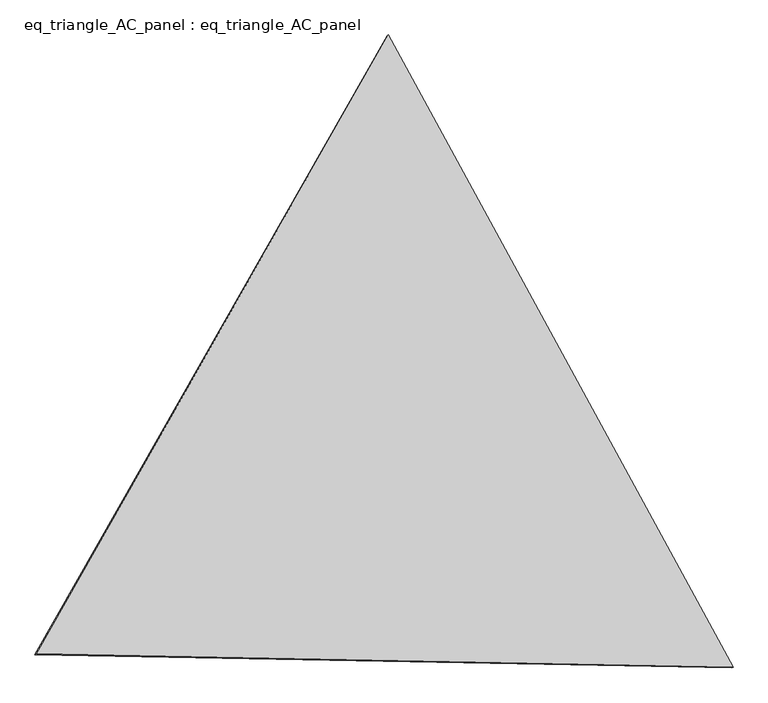
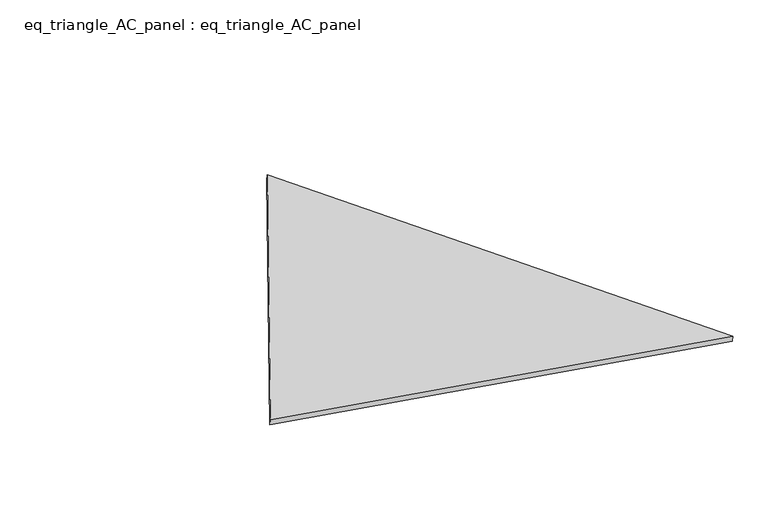
"""IFC4 building model written with IfcOpenShell, lengths in millimetres: proxy geometry, eq_triangle_AC_panel : eq_triangle_AC_panel."""

from ifc_helpers import new_model, si_unit, frame, origin, place, context, project, spatial, polyline, outline, extrude, source, transform, mapped, element, save


def eq_triangle_ac_panel_eq_triangle_ac_panel_37acd27a(model_context):
    return source(origin(), model_context, "Body", "SweptSolid", [
        extrude(outline(polyline([(-2091.2842303, 1173.1700195), (2032.8306628, 1173.1700194), (58.4535674, -2346.3400392), (-2091.2842303, 1173.1700195)])), frame((-6.3631761, 524.2531996, 46.6143561), z_axis=(0.14526328518058162, 0.08386570281802189, 0.9858321976225896), x_axis=(0.47858499780010505, -0.8780313029549414, 0.004175034361710591)), (0.0, 0.0, 1.0), 43.8306294),
    ])


if __name__ == "__main__":
    model = new_model("IFC4")
    model_context = context("Model", 3, world=origin())
    ifc_project = project(units=[si_unit("LENGTHUNIT", "METRE", prefix="MILLI")], contexts=[model_context])
    site = spatial("IfcSite", under=ifc_project)
    building = spatial("IfcBuilding", under=site)
    placement = place(None, origin())
    eq_triangle_ac_panel_eq_triangle_ac_panel_shape = eq_triangle_ac_panel_eq_triangle_ac_panel_37acd27a(model_context)
    element("IfcBuildingElementProxy", 1, Name="eq_triangle_AC_panel : eq_triangle_AC_panel", ObjectType="eq_triangle_AC_panel : eq_triangle_AC_panel", at=placement, inside=building, context=model_context, shape_type="MappedRepresentation", body=[
        mapped(eq_triangle_ac_panel_eq_triangle_ac_panel_shape, transform((0.0, 0.0, 0.0), x_axis=(1.0, 0.0, 0.0), y_axis=(0.0, 1.0, 0.0), z_axis=(0.0, 0.0, 1.0))),
    ])
    save(model, "model.ifc")
